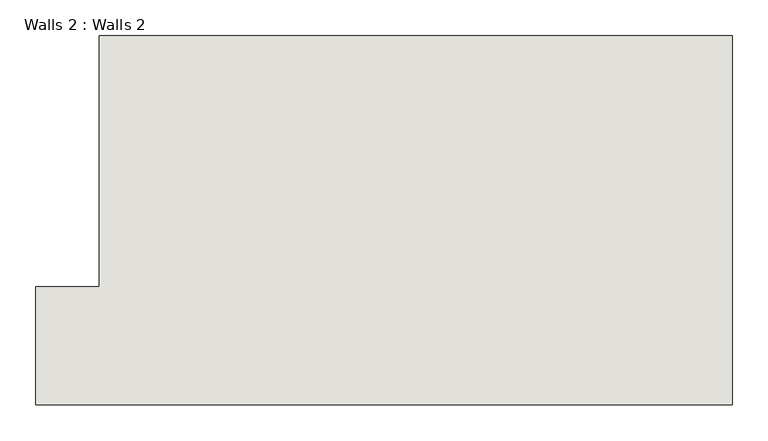
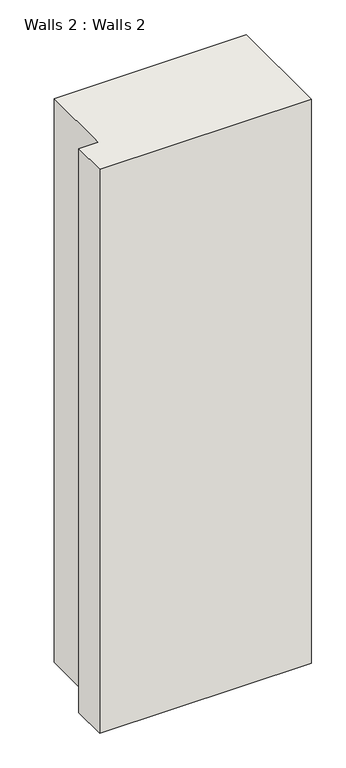
"""IFC4 building model written with IfcOpenShell, lengths in millimetres: wall geometry, Walls 2 : Walls 2."""

from ifc_helpers import new_model, si_unit, frame, origin, place, context, project, spatial, polyline, outline, extrude, source, transform, mapped, element, save


def walls_2_walls_2_c3350484(model_context):
    return source(origin(), model_context, "Body", "SweptSolid", [
        extrude(outline(polyline([(-1494.330083, -6881.6094249), (-1494.330083, -7396.8524006), (-2467.3458219, -7396.8524006), (-2467.3458219, -7232.3087567), (-2378.5230425, -7232.3087567), (-2378.5230425, -6881.6094249), (-1494.330083, -6881.6094249)])), frame((0.0, 0.0, 609.6), z_axis=(0.0, 0.0, 1.0), x_axis=(1.0, 0.0, 0.0)), (0.0, 0.0, 1.0), 2743.2),
    ])


if __name__ == "__main__":
    model = new_model("IFC4")
    model_context = context("Model", 3, world=origin())
    ifc_project = project(units=[si_unit("LENGTHUNIT", "METRE", prefix="MILLI")], contexts=[model_context])
    site = spatial("IfcSite", under=ifc_project)
    building = spatial("IfcBuilding", under=site)
    placement = place(None, origin())
    walls_2_walls_2_shape = walls_2_walls_2_c3350484(model_context)
    element("IfcWall", 1, ObjectType="Walls 2 : Walls 2", at=placement, inside=building, context=model_context, shape_type="MappedRepresentation", body=[
        mapped(walls_2_walls_2_shape, transform((0.0, 0.0, 0.0), x_axis=(1.0, 0.0, 0.0), y_axis=(0.0, 1.0, 0.0), z_axis=(0.0, 0.0, 1.0))),
    ])
    save(model, "model.ifc")
